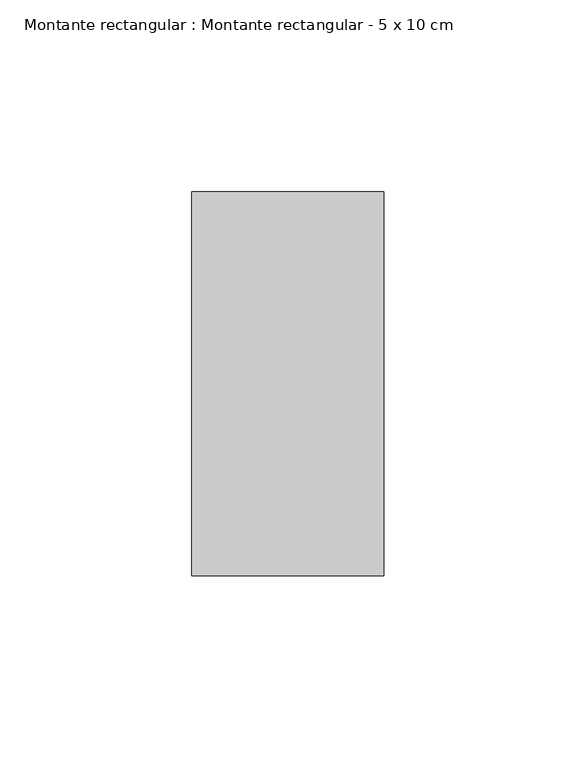
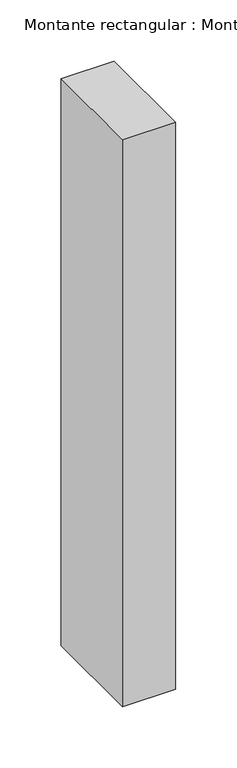
"""IFC4 building model written with IfcOpenShell, lengths in millimetres: member geometry, Montante rectangular : Montante rectangular - 5 x 10 cm."""

from ifc_helpers import new_model, si_unit, frame, origin, place, context, project, spatial, polyline, outline, extrude, source, transform, mapped, element, save


def montante_rectangular_montante_rectangular_5_x_10_cm_57e10f17(model_context):
    return source(origin(), model_context, "Body", "SweptSolid", [
        extrude(outline(polyline([(-50.0, 50.0), (0.0, 50.0), (0.0, -50.0), (-50.0, -50.0), (-50.0, 50.0)])), frame((0.0, 0.0, -564.0), z_axis=(0.0, 0.0, 1.0), x_axis=(1.0, 0.0, 0.0)), (0.0, 0.0, 1.0), 564.0),
    ])


if __name__ == "__main__":
    model = new_model("IFC4")
    model_context = context("Model", 3, world=origin())
    ifc_project = project(units=[si_unit("LENGTHUNIT", "METRE", prefix="MILLI")], contexts=[model_context])
    site = spatial("IfcSite", under=ifc_project)
    building = spatial("IfcBuilding", under=site)
    placement = place(None, origin())
    montante_rectangular_montante_rectangular_5_x_10_cm_shape = montante_rectangular_montante_rectangular_5_x_10_cm_57e10f17(model_context)
    element("IfcMember", 1, ObjectType="Montante rectangular : Montante rectangular - 5 x 10 cm", at=placement, inside=building, context=model_context, shape_type="MappedRepresentation", body=[
        mapped(montante_rectangular_montante_rectangular_5_x_10_cm_shape, transform((0.0, 0.0, 0.0), x_axis=(1.0, 0.0, 0.0), y_axis=(0.0, 1.0, 0.0), z_axis=(0.0, 0.0, 1.0))),
    ])
    save(model, "model.ifc")
